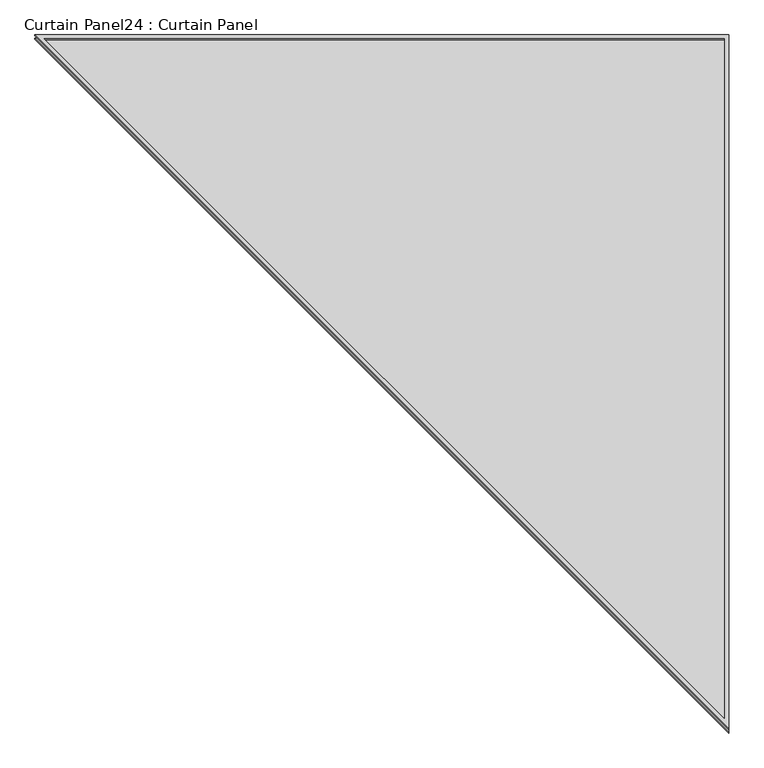
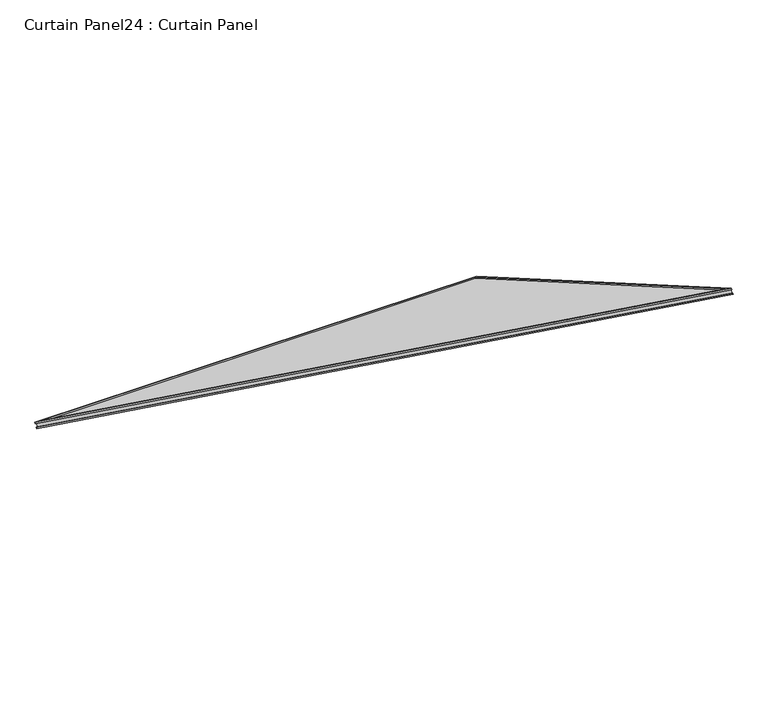
"""IFC4 building model written with IfcOpenShell, lengths in millimetres: plate geometry, Curtain Panel24 : Curtain Panel."""

from ifc_helpers import new_model, si_unit, frame, origin, place, context, project, spatial, polyline, outline, extrude, source, transform, mapped, element, save


def curtain_panel24_curtain_panel_ae1be033(model_context):
    return source(origin(), model_context, "Body", "SweptSolid", [
        extrude(outline(polyline([(2007.7466933, -11.1088831), (-29.7965325, -11.1088831), (2007.7466933, 1753.4553118), (2007.7466933, -11.1088831)]), holes=[polyline([(1996.6378102, 0.0), (1996.6378102, 1729.1390658), (0.0, 0.0), (1996.6378102, 0.0)])]), frame((11698.003327, 14451.7465167, 976.9760792), z_axis=(0.0, 0.4999999999999995, 0.866025403784439), x_axis=(0.0, 0.866025403784439, -0.4999999999999995)), (0.0, 0.0, 1.0), 4.7497486),
        extrude(outline(polyline([(2007.7466934, -11.1088831), (-29.7965325, -11.1088831), (2007.7466934, 1753.4553118), (2007.7466934, -11.1088831)]), holes=[polyline([(1996.6378102, 0.0), (1996.6378102, 1729.1390658), (0.0, 0.0), (1996.6378102, 0.0)])]), frame((11698.003327, 14460.593834, 992.3000823), z_axis=(0.0, 0.4999999999999994, 0.866025403784439), x_axis=(0.0, 0.866025403784439, -0.4999999999999994)), (0.0, 0.0, 1.0), 4.7432138),
        extrude(outline(polyline([(56.7302073, 0.0), (1816.1, 0.0), (1816.1, -2031.5452469), (56.7302073, 0.0)])), frame((9893.0122101, 16192.8703888, -22.8022987), z_axis=(0.0, 0.49999999999999867, 0.8660254037844395), x_axis=(1.0, 0.0, 0.0)), (0.0, 0.0, 1.0), 12.944886),
    ])


if __name__ == "__main__":
    model = new_model("IFC4")
    model_context = context("Model", 3, world=origin())
    ifc_project = project(units=[si_unit("LENGTHUNIT", "METRE", prefix="MILLI")], contexts=[model_context])
    site = spatial("IfcSite", under=ifc_project)
    building = spatial("IfcBuilding", under=site)
    placement = place(None, origin())
    curtain_panel24_curtain_panel_shape = curtain_panel24_curtain_panel_ae1be033(model_context)
    element("IfcPlate", 1, ObjectType="Curtain Panel24 : Curtain Panel", at=placement, inside=building, context=model_context, shape_type="MappedRepresentation", body=[
        mapped(curtain_panel24_curtain_panel_shape, transform((0.0, 0.0, 0.0), x_axis=(1.0, 0.0, 0.0), y_axis=(0.0, 1.0, 0.0), z_axis=(0.0, 0.0, 1.0))),
    ])
    save(model, "model.ifc")
